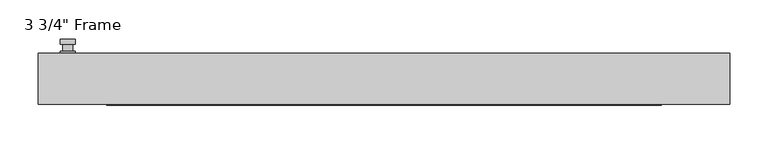
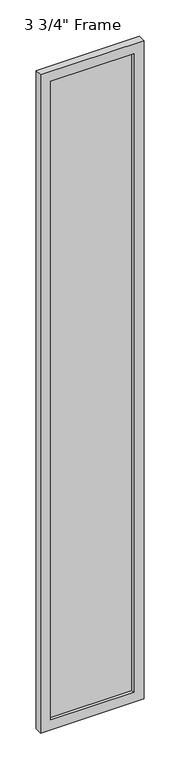
"""IFC4 building model written with IfcOpenShell, lengths in millimetres: plate geometry."""

from ifc_helpers import new_model, si_unit, frame, origin, place, context, project, spatial, polyline, circle_curve, outline, extrude, faceted_brep, source, transform, mapped, element, save
from ifc_brep_helpers import plane_surface, cylinder_surface, advanced_brep


def plate_34a9c5cb(model_context):
    return source(origin(), model_context, "Body", "SolidModel", [
        advanced_brep(
        [(-401.6375, 33.3375, 927.1), (-420.6875, 33.3375, 927.1), (-420.6875, 33.3375, 901.7), (-401.6375, 33.3375, 901.7), (-404.8125, 46.0375, 914.4), (-404.8125, 36.5125, 914.4), (-417.5125, 36.5125, 914.4), (-417.5125, 46.0375, 914.4), (-401.6375, 46.0375, 914.4), (-420.6875, 46.0375, 914.4), (-417.5084644, 46.0375, 825.2736467), (-404.8165356, 46.0375, 825.2736467), (-401.6375, 52.3875, 914.4), (-404.8165356, 52.3875, 825.2736467), (-417.5084644, 52.3875, 825.2736467), (-420.6875, 52.3875, 914.4), (-401.6375, 36.5125, 927.1), (-401.6375, 36.5125, 901.7), (-420.6875, 36.5125, 901.7), (-420.6875, 36.5125, 927.1)],
        [
            (0, 1, circle_curve(frame((-411.1625, 33.3375, 927.1), z_axis=(0.0, -1.0, 0.0), x_axis=(-1.0, 0.0, 0.0)), 9.525)),
            (1, 2),
            (2, 3, circle_curve(frame((-411.1625, 33.3375, 901.7), z_axis=(0.0, -1.0, 0.0), x_axis=(-1.0, 0.0, 0.0)), 9.525)),
            (3, 0),
            (4, 5),
            (5, 6, circle_curve(frame((-411.1625, 36.5125, 914.4), z_axis=(0.0, 1.0, 0.0), x_axis=(-1.0, 0.0, 0.0)), 6.35)),
            (6, 7),
            (7, 4, circle_curve(frame((-411.1625, 46.0375, 914.4), z_axis=(0.0, -1.0, 0.0), x_axis=(-1.0, 0.0, 0.0)), 6.35)),
            (6, 5, circle_curve(frame((-411.1625, 36.5125, 914.4), z_axis=(0.0, 1.0, 0.0), x_axis=(-1.0, 0.0, 0.0)), 6.35)),
            (4, 7, circle_curve(frame((-411.1625, 46.0375, 914.4), z_axis=(0.0, -1.0, 0.0), x_axis=(-1.0, 0.0, 0.0)), 6.35)),
            (8, 9, circle_curve(frame((-411.1625, 46.0375, 914.4), z_axis=(0.0, -1.0, 0.0), x_axis=(-1.0, 0.0, 0.0)), 9.525)),
            (9, 10),
            (10, 11, circle_curve(frame((-411.1625, 46.0375, 825.5), z_axis=(0.0, -1.0, 0.0), x_axis=(-1.0, 0.0, 0.0)), 6.35)),
            (11, 8),
            (12, 13),
            (13, 14, circle_curve(frame((-411.1625, 52.3875, 825.5), z_axis=(0.0, 1.0, 0.0), x_axis=(-1.0, 0.0, 0.0)), 6.35)),
            (14, 15),
            (15, 12, circle_curve(frame((-411.1625, 52.3875, 914.4), z_axis=(0.0, 1.0, 0.0), x_axis=(-1.0, 0.0, 0.0)), 9.525)),
            (11, 13),
            (12, 8),
            (10, 14),
            (9, 15),
            (16, 17),
            (17, 18, circle_curve(frame((-411.1625, 36.5125, 901.7), z_axis=(0.0, 1.0, 0.0), x_axis=(-1.0, 0.0, 0.0)), 9.525)),
            (18, 19),
            (19, 16, circle_curve(frame((-411.1625, 36.5125, 927.1), z_axis=(0.0, 1.0, 0.0), x_axis=(-1.0, 0.0, 0.0)), 9.525)),
            (3, 17),
            (16, 0),
            (2, 18),
            (1, 19),
        ],
        [
            plane_surface(frame((-417.5125, 33.3375, 914.4), z_axis=(0.0, -1.0, 0.0), x_axis=(0.0, 0.0, 1.0))),
            cylinder_surface(frame((-411.1625, 46.0375, 914.4), z_axis=(0.0, -1.0, 0.0), x_axis=(-1.0, 0.0, 0.0)), 6.35),
            plane_surface(frame((-401.6375, 46.0375, 914.4), z_axis=(0.0, -1.0000000000000002, 0.0), x_axis=(-0.03564619348186888, 0.0, -0.9993644724975235))),
            plane_surface(frame((-401.6375, 52.3875, 914.4), z_axis=(0.0, 1.0000000000000002, 0.0), x_axis=(0.03564619348186888, 0.0, 0.9993644724975235))),
            plane_surface(frame((-401.6375, 46.0375, 914.4), z_axis=(0.9993644724975235, 0.0, -0.03564619348186888), x_axis=(0.0, 1.0, 0.0))),
            cylinder_surface(frame((-411.1625, 52.3875, 825.5), z_axis=(0.0, -1.0, 0.0), x_axis=(-1.0, 0.0, 0.0)), 6.35),
            plane_surface(frame((-417.5084644, 46.0375, 825.2736467), z_axis=(-0.9993644724975228, 0.0, -0.03564619348188612), x_axis=(0.0, 1.0, 0.0))),
            cylinder_surface(frame((-411.1625, 52.3875, 914.4), z_axis=(0.0, -1.0, 0.0), x_axis=(-1.0, 0.0, 0.0)), 9.525),
            plane_surface(frame((-401.6375, 36.5125, 901.7), z_axis=(0.0, 1.0, 0.0), x_axis=(0.0, 0.0, 1.0))),
            plane_surface(frame((-401.6375, 33.3375, 927.1), z_axis=(1.0, 0.0, 0.0), x_axis=(0.0, 1.0, 0.0))),
            cylinder_surface(frame((-411.1625, 36.5125, 901.7), z_axis=(0.0, -1.0, 0.0), x_axis=(-1.0, 0.0, 0.0)), 9.525),
            plane_surface(frame((-420.6875, 33.3375, 901.7), z_axis=(-1.0, 0.0, 0.0), x_axis=(0.0, 1.0, 0.0))),
            cylinder_surface(frame((-411.1625, 36.5125, 927.1), z_axis=(0.0, -1.0, 0.0), x_axis=(-1.0, 0.0, 0.0)), 9.525),
        ],
        [
            (0, [[1, 2, 3, 4]]),
            (1, [[5, 6, 7, 8]]),
            (1, [[-7, 9, -5, 10]]),
            (2, [[11, 12, 13, 14], [-10, -8]]),
            (3, [[15, 16, 17, 18]]),
            (4, [[19, -15, 20, -14]]),
            (5, [[21, -16, -19, -13]]),
            (6, [[22, -17, -21, -12]]),
            (7, [[-20, -18, -22, -11]]),
            (8, [[23, 24, 25, 26], [-9, -6]]),
            (9, [[27, -23, 28, -4]]),
            (10, [[29, -24, -27, -3]]),
            (11, [[30, -25, -29, -2]]),
            (12, [[-28, -26, -30, -1]]),
        ],
    ),
        faceted_brep([(-449.2625, 33.3375, 0.0), (449.2625, 33.3375, 0.0), (449.2625, -33.3375, 0.0), (-449.2625, -33.3375, 0.0), (-449.2625, 33.3375, 6026.15), (449.2625, 33.3375, 6026.15), (-360.3625, 33.3375, 5937.25), (-360.3625, 33.3375, 88.9), (360.3625, 33.3375, 88.9), (360.3625, 33.3375, 5937.25), (-449.2625, -33.3375, 6026.15), (449.2625, -33.3375, 6026.15), (-360.3625, -33.3375, 5937.25), (360.3625, -33.3375, 5937.25), (360.3625, -33.3375, 88.9), (-360.3625, -33.3375, 88.9), (-354.0125, -11.90625, 95.25), (-354.0125, -11.90625, 5930.9), (366.7125, -11.90625, 5943.6), (366.7125, -11.90625, 82.55), (-366.7125, -11.90625, 82.55), (-366.7125, -11.90625, 5943.6), (354.0125, -11.90625, 95.25), (354.0125, -11.90625, 5930.9), (-366.7125, 11.90625, 82.55), (-366.7125, 11.90625, 5943.6), (366.7125, 11.90625, 82.55), (366.7125, 11.90625, 5943.6), (-354.0125, 11.90625, 5930.9), (354.0125, 11.90625, 5930.9), (354.0125, 11.90625, 95.25), (-354.0125, 11.90625, 95.25)], [[[0, 1, 2, 3]], [[0, 4, 5, 1], [6, 7, 8, 9]], [[3, 10, 4, 0]], [[2, 11, 10, 3], [12, 13, 14, 15]], [[12, 15, 16, 17]], [[18, 19, 20, 21], [17, 16, 22, 23]], [[20, 24, 25, 21]], [[25, 24, 26, 27], [28, 29, 30, 31]], [[28, 31, 7, 6]], [[4, 10, 11, 5]], [[12, 17, 23, 13]], [[21, 25, 27, 18]], [[9, 29, 28, 6]], [[5, 11, 2, 1]], [[23, 22, 14, 13]], [[26, 19, 18, 27]], [[9, 8, 30, 29]], [[7, 31, 30, 8]], [[19, 26, 24, 20]], [[16, 15, 14, 22]]]),
        extrude(outline(polyline([(366.7125, 11.90625), (366.7125, -11.90625), (-366.7125, -11.90625), (-366.7125, 11.90625), (366.7125, 11.90625)])), frame((0.0, 0.0, 82.55), z_axis=(0.0, 0.0, 1.0), x_axis=(1.0, 0.0, 0.0)), (0.0, 0.0, 1.0), 5861.05),
    ])


if __name__ == "__main__":
    model = new_model("IFC4")
    model_context = context("Model", 3, world=origin())
    ifc_project = project(units=[si_unit("LENGTHUNIT", "METRE", prefix="MILLI")], contexts=[model_context])
    site = spatial("IfcSite", under=ifc_project)
    building = spatial("IfcBuilding", under=site)
    placement = place(None, origin())
    plate_shape = plate_34a9c5cb(model_context)
    element("IfcPlate", 1, ObjectType="3 3/4\" Frame", at=placement, inside=building, context=model_context, shape_type="MappedRepresentation", body=[
        mapped(plate_shape, transform((0.0, 0.0, 0.0), x_axis=(1.0, 0.0, 0.0), y_axis=(0.0, 1.0, 0.0), z_axis=(0.0, 0.0, 1.0))),
    ])
    save(model, "model.ifc")
